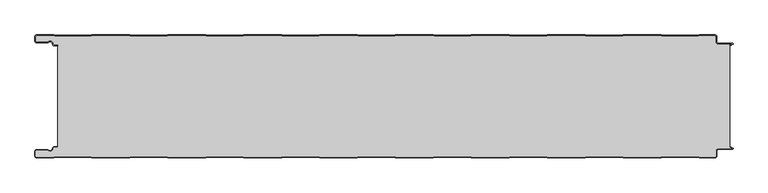
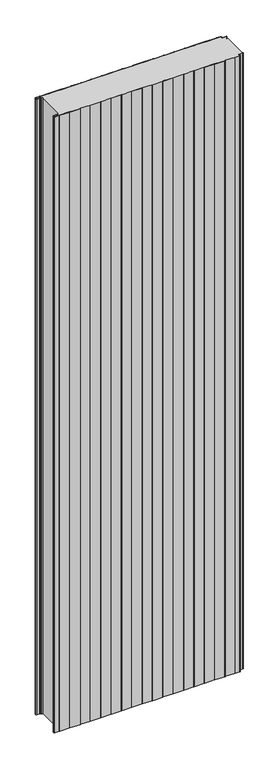
"""IFC4 building model written with IfcOpenShell, lengths in millimetres: plate geometry."""

from ifc_helpers import new_model, si_unit, point, frame_2d, origin, origin_with_axes, place, context, project, spatial, polyline, circle_curve, trimmed, segment, composite_curve, outline, extrude, source, transform, mapped, element, save


def plate_20741c4c(model_context):
    return source(origin(), model_context, "Body", "SweptSolid", [
        extrude(outline(composite_curve([segment(trimmed(circle_curve(frame_2d((-497.49499, -9.0180361)), 2.50501), [point((-497.49499, -11.5230461))], [point((-500.0, -9.0180361))], False, "CARTESIAN"), True, "CONTINUOUS"), segment(polyline([(-500.0, -9.0180361), (-500.0, -2.50501)]), True, "CONTINUOUS"), segment(trimmed(circle_curve(frame_2d((-497.49499, -2.50501)), 2.50501), [point((-500.0, -2.50501))], [point((-497.49499, 0.0))], False, "CARTESIAN"), True, "CONTINUOUS"), segment(polyline([(-497.49499, 0.0), (-472.2103007, 0.0), (-471.028188, -0.6012024), (-417.6391467, -0.6012024), (-416.457034, 0.0), (-360.8776353, 0.0), (-359.6955227, -0.6012024), (-306.3064814, -0.6012024), (-305.1243687, 0.0), (-249.54497, 0.0), (-248.3628573, -0.6012024), (-194.973816, -0.6012024), (-193.7917033, 0.0), (-138.2123047, 0.0), (-137.030192, -0.6012024), (-83.6411507, -0.6012024), (-82.459038, 0.0), (-26.8796393, 0.0), (-25.6975267, -0.6012024), (27.6915146, -0.6012024), (28.8736273, 0.0), (84.453026, 0.0), (85.6351387, -0.6012024), (139.02418, -0.6012024), (140.2062927, 0.0), (195.7856913, 0.0), (196.967804, -0.6012024), (250.3568453, -0.6012024), (251.538958, 0.0), (307.1183566, 0.0), (308.3004693, -0.6012024), (361.6895106, -0.6012024), (362.8716233, 0.0), (418.451022, 0.0), (419.6331347, -0.6012024), (473.022176, -0.6012024), (474.2042886, 0.0), (497.49499, 0.0)]), True, "CONTINUOUS"), segment(trimmed(circle_curve(frame_2d((497.49499, -2.50501)), 2.50501), [point((497.49499, 0.0))], [point((500.0, -2.50501))], False, "CARTESIAN"), True, "CONTINUOUS"), segment(polyline([(500.0, -2.50501), (500.0, -10.0200401)]), True, "CONTINUOUS"), segment(trimmed(circle_curve(frame_2d((502.004008, -10.0200401)), 2.004008), [point((500.0, -10.0200401))], [point((502.004008, -12.0240481))], True, "CARTESIAN"), True, "CONTINUOUS"), segment(polyline([(502.004008, -12.0240481), (523.0460922, -12.0240481)]), True, "CONTINUOUS"), segment(trimmed(circle_curve(frame_2d((523.0460922, -13.0260521)), 1.002004), [point((523.0460922, -12.0240481))], [point((523.5470942, -13.893813))], False, "CARTESIAN"), True, "CONTINUOUS"), segment(polyline([(523.5470942, -13.893813), (519.5390782, -16.2078422), (519.1390782, -15.5150218), (522.183956, -13.7570608)]), True, "CONTINUOUS"), segment(trimmed(circle_curve(frame_2d((521.933956, -13.3240481)), 0.5), [point((522.183956, -13.7570608))], [point((521.933956, -12.8240481))], True, "CARTESIAN"), True, "CONTINUOUS"), segment(polyline([(521.933956, -12.8240481), (502.004008, -12.8240481)]), True, "CONTINUOUS"), segment(trimmed(circle_curve(frame_2d((502.004008, -10.0200401)), 2.804008), [point((502.004008, -12.8240481))], [point((499.2, -10.0200401))], False, "CARTESIAN"), True, "CONTINUOUS"), segment(polyline([(499.2, -10.0200401), (499.2, -2.50501)]), True, "CONTINUOUS"), segment(trimmed(circle_curve(frame_2d((497.49499, -2.50501)), 1.70501), [point((499.2, -2.50501))], [point((497.49499, -0.8))], True, "CARTESIAN"), True, "CONTINUOUS"), segment(polyline([(497.49499, -0.8), (474.396035, -0.8), (473.2139223, -1.4012024), (419.4413883, -1.4012024), (418.2592756, -0.8), (363.0633697, -0.8), (361.881257, -1.4012024), (308.108723, -1.4012024), (306.9266103, -0.8), (251.7307044, -0.8), (250.5485917, -1.4012024), (196.7760576, -1.4012024), (195.5939449, -0.8), (140.398039, -0.8), (139.2159263, -1.4012024), (85.4433923, -1.4012024), (84.2612796, -0.8), (29.0653737, -0.8), (27.883261, -1.4012024), (-25.889273, -1.4012024), (-27.0713857, -0.8), (-82.2672916, -0.8), (-83.4494043, -1.4012024), (-137.2219384, -1.4012024), (-138.4040511, -0.8), (-193.599957, -0.8), (-194.7820696, -1.4012024), (-248.5546037, -1.4012024), (-249.7367164, -0.8), (-304.9326223, -0.8), (-306.114735, -1.4012024), (-359.887269, -1.4012024), (-361.0693817, -0.8), (-416.2652876, -0.8), (-417.4474003, -1.4012024), (-471.2199344, -1.4012024), (-472.4020471, -0.8), (-497.49499, -0.8)]), True, "CONTINUOUS"), segment(trimmed(circle_curve(frame_2d((-497.49499, -2.50501)), 1.70501), [point((-497.49499, -0.8))], [point((-499.2, -2.50501))], True, "CARTESIAN"), True, "CONTINUOUS"), segment(polyline([(-499.2, -2.50501), (-499.2, -9.0180361)]), True, "CONTINUOUS"), segment(trimmed(circle_curve(frame_2d((-497.49499, -9.0180361)), 1.70501), [point((-499.2, -9.0180361))], [point((-497.49499, -10.7230461))], True, "CARTESIAN"), True, "CONTINUOUS"), segment(polyline([(-497.49499, -10.7230461), (-481.8173283, -10.7230461)]), True, "CONTINUOUS"), segment(trimmed(circle_curve(frame_2d((-481.8173283, -9.0180361)), 1.70501), [point((-481.8173283, -10.7230461))], [point((-480.6895701, -10.2967936))], True, "CARTESIAN"), True, "CONTINUOUS"), segment(trimmed(circle_curve(frame_2d((-477.8407481, -13.5270541)), 4.307014), [point((-480.6895701, -10.2967936))], [point((-473.7934788, -12.0539686))], False, "CARTESIAN"), True, "CONTINUOUS"), segment(polyline([(-473.7934788, -12.0539686), (-473.0450711, -14.1102019)]), True, "CONTINUOUS"), segment(trimmed(circle_curve(frame_2d((-471.4428858, -13.5270541)), 1.70501), [point((-473.0450711, -14.1102019))], [point((-471.4428858, -15.2320641))], True, "CARTESIAN"), True, "CONTINUOUS"), segment(polyline([(-471.4428858, -15.2320641), (-466.4328657, -15.2320641), (-466.4328657, -16.0320641), (-471.4428858, -16.0320641)]), True, "CONTINUOUS"), segment(trimmed(circle_curve(frame_2d((-471.4428858, -13.5270541)), 2.50501), [point((-471.4428858, -16.0320641))], [point((-473.7968252, -14.383818))], False, "CARTESIAN"), True, "CONTINUOUS"), segment(polyline([(-473.7968252, -14.383818), (-474.5452329, -12.3275847)]), True, "CONTINUOUS"), segment(trimmed(circle_curve(frame_2d((-477.8407481, -13.5270541)), 3.507014), [point((-474.5452329, -12.3275847))], [point((-480.1604199, -10.8967936))], True, "CARTESIAN"), True, "CONTINUOUS"), segment(trimmed(circle_curve(frame_2d((-481.8173283, -9.0180361)), 2.50501), [point((-480.1604199, -10.8967936))], [point((-481.8173283, -11.5230461))], False, "CARTESIAN"), True, "CONTINUOUS"), segment(polyline([(-481.8173283, -11.5230461), (-497.49499, -11.5230461)]), True, "CONTINUOUS")], self_intersect=False)), origin_with_axes(), (0.0, 0.0, 1.0), 3500.0),
        extrude(outline(composite_curve([segment(trimmed(circle_curve(frame_2d((-471.4428858, -13.5270541)), 1.70501), [point((-471.4428858, -15.2320641))], [point((-473.0450711, -14.1102019))], False, "CARTESIAN"), True, "CONTINUOUS"), segment(polyline([(-473.0450711, -14.1102019), (-473.7934788, -12.0539686)]), True, "CONTINUOUS"), segment(trimmed(circle_curve(frame_2d((-477.8407481, -13.5270541)), 4.307014), [point((-473.7934788, -12.0539686))], [point((-480.6895701, -10.2967936))], True, "CARTESIAN"), True, "CONTINUOUS"), segment(trimmed(circle_curve(frame_2d((-481.8173283, -9.0180361)), 1.70501), [point((-480.6895701, -10.2967936))], [point((-481.8173283, -10.7230461))], False, "CARTESIAN"), True, "CONTINUOUS"), segment(polyline([(-481.8173283, -10.7230461), (-497.49499, -10.7230461)]), True, "CONTINUOUS"), segment(trimmed(circle_curve(frame_2d((-497.49499, -9.0180361)), 1.70501), [point((-497.49499, -10.7230461))], [point((-499.2, -9.0180361))], False, "CARTESIAN"), True, "CONTINUOUS"), segment(polyline([(-499.2, -9.0180361), (-499.2, -2.50501)]), True, "CONTINUOUS"), segment(trimmed(circle_curve(frame_2d((-497.49499, -2.50501)), 1.70501), [point((-499.2, -2.50501))], [point((-497.49499, -0.8))], False, "CARTESIAN"), True, "CONTINUOUS"), segment(polyline([(-497.49499, -0.8), (-472.4020471, -0.8), (-471.2199344, -1.4012024), (-417.4474003, -1.4012024), (-416.2652876, -0.8), (-361.0693817, -0.8), (-359.887269, -1.4012024), (-306.114735, -1.4012024), (-304.9326223, -0.8), (-249.7367164, -0.8), (-248.5546037, -1.4012024), (-194.7820696, -1.4012024), (-193.599957, -0.8), (-138.4040511, -0.8), (-137.2219384, -1.4012024), (-83.4494043, -1.4012024), (-82.2672916, -0.8), (-27.0713857, -0.8), (-25.889273, -1.4012024), (27.883261, -1.4012024), (29.0653737, -0.8), (84.2612796, -0.8), (85.4433923, -1.4012024), (139.2159263, -1.4012024), (140.398039, -0.8), (195.5939449, -0.8), (196.7760576, -1.4012024), (250.5485917, -1.4012024), (251.7307044, -0.8), (306.9266103, -0.8), (308.108723, -1.4012024), (361.881257, -1.4012024), (363.0633697, -0.8), (418.2592756, -0.8), (419.4413883, -1.4012024), (473.2139223, -1.4012024), (474.396035, -0.8), (497.49499, -0.8)]), True, "CONTINUOUS"), segment(trimmed(circle_curve(frame_2d((497.49499, -2.50501)), 1.70501), [point((497.49499, -0.8))], [point((499.2, -2.50501))], False, "CARTESIAN"), True, "CONTINUOUS"), segment(polyline([(499.2, -2.50501), (499.2, -10.0200401)]), True, "CONTINUOUS"), segment(trimmed(circle_curve(frame_2d((502.004008, -10.0200401)), 2.804008), [point((499.2, -10.0200401))], [point((502.004008, -12.8240481))], True, "CARTESIAN"), True, "CONTINUOUS"), segment(polyline([(502.004008, -12.8240481), (521.933956, -12.8240481)]), True, "CONTINUOUS"), segment(trimmed(circle_curve(frame_2d((521.933956, -13.3240481)), 0.5), [point((521.933956, -12.8240481))], [point((522.183956, -13.7570608))], False, "CARTESIAN"), True, "CONTINUOUS"), segment(polyline([(522.183956, -13.7570608), (519.1390782, -15.5150218), (519.1390782, -164.4849782), (522.183956, -166.2429392)]), True, "CONTINUOUS"), segment(trimmed(circle_curve(frame_2d((521.933956, -166.6759519)), 0.5), [point((522.183956, -166.2429392))], [point((521.933956, -167.1759519))], False, "CARTESIAN"), True, "CONTINUOUS"), segment(polyline([(521.933956, -167.1759519), (502.004008, -167.1759519)]), True, "CONTINUOUS"), segment(trimmed(circle_curve(frame_2d((502.004008, -169.9799599)), 2.804008), [point((502.004008, -167.1759519))], [point((499.2, -169.9799599))], True, "CARTESIAN"), True, "CONTINUOUS"), segment(polyline([(499.2, -169.9799599), (499.2, -177.49499)]), True, "CONTINUOUS"), segment(trimmed(circle_curve(frame_2d((497.49499, -177.49499)), 1.70501), [point((499.2, -177.49499))], [point((497.49499, -179.2))], False, "CARTESIAN"), True, "CONTINUOUS"), segment(polyline([(497.49499, -179.2), (474.396035, -179.2), (473.2139223, -178.5987976), (419.4413883, -178.5987976), (418.2592756, -179.2), (363.0633697, -179.2), (361.881257, -178.5987976), (308.108723, -178.5987976), (306.9266103, -179.2), (251.7307044, -179.2), (250.5485917, -178.5987976), (196.7760576, -178.5987976), (195.5939449, -179.2), (140.398039, -179.2), (139.2159263, -178.5987976), (85.4433923, -178.5987976), (84.2612796, -179.2), (29.0653737, -179.2), (27.883261, -178.5987976), (-25.889273, -178.5987976), (-27.0713857, -179.2), (-82.2672916, -179.2), (-83.4494043, -178.5987976), (-137.2219384, -178.5987976), (-138.4040511, -179.2), (-193.599957, -179.2), (-194.7820696, -178.5987976), (-248.5546037, -178.5987976), (-249.7367164, -179.2), (-304.9326223, -179.2), (-306.114735, -178.5987976), (-359.887269, -178.5987976), (-361.0693817, -179.2), (-416.2652876, -179.2), (-417.4474003, -178.5987976), (-471.2199344, -178.5987976), (-472.4020471, -179.2), (-497.49499, -179.2)]), True, "CONTINUOUS"), segment(trimmed(circle_curve(frame_2d((-497.49499, -177.49499)), 1.70501), [point((-497.49499, -179.2))], [point((-499.2, -177.49499))], False, "CARTESIAN"), True, "CONTINUOUS"), segment(polyline([(-499.2, -177.49499), (-499.2, -170.9819639)]), True, "CONTINUOUS"), segment(trimmed(circle_curve(frame_2d((-497.49499, -170.9819639)), 1.70501), [point((-499.2, -170.9819639))], [point((-497.49499, -169.2769539))], False, "CARTESIAN"), True, "CONTINUOUS"), segment(polyline([(-497.49499, -169.2769539), (-481.8173283, -169.2769539)]), True, "CONTINUOUS"), segment(trimmed(circle_curve(frame_2d((-481.8173283, -170.9819639)), 1.70501), [point((-481.8173283, -169.2769539))], [point((-480.6895701, -169.7032064))], False, "CARTESIAN"), True, "CONTINUOUS"), segment(trimmed(circle_curve(frame_2d((-477.8407481, -166.4729459)), 4.307014), [point((-480.6895701, -169.7032064))], [point((-473.7934788, -167.9460314))], True, "CARTESIAN"), True, "CONTINUOUS"), segment(polyline([(-473.7934788, -167.9460314), (-473.0450711, -165.8897981)]), True, "CONTINUOUS"), segment(trimmed(circle_curve(frame_2d((-471.4428858, -166.4729459)), 1.70501), [point((-473.0450711, -165.8897981))], [point((-471.4428858, -164.7679359))], False, "CARTESIAN"), True, "CONTINUOUS"), segment(polyline([(-471.4428858, -164.7679359), (-466.4328657, -164.7679359), (-466.4328657, -15.2320641), (-471.4428858, -15.2320641)]), True, "CONTINUOUS")], self_intersect=False)), origin_with_axes(), (0.0, 0.0, 1.0), 3500.0),
        extrude(outline(composite_curve([segment(polyline([(-497.49499, -168.4769539), (-481.8173283, -168.4769539)]), True, "CONTINUOUS"), segment(trimmed(circle_curve(frame_2d((-481.8173283, -170.9819639)), 2.50501), [point((-481.8173283, -168.4769539))], [point((-480.1604199, -169.1032064))], False, "CARTESIAN"), True, "CONTINUOUS"), segment(trimmed(circle_curve(frame_2d((-477.8407481, -166.4729459)), 3.507014), [point((-480.1604199, -169.1032064))], [point((-474.5452329, -167.6724153))], True, "CARTESIAN"), True, "CONTINUOUS"), segment(polyline([(-474.5452329, -167.6724153), (-473.7968252, -165.616182)]), True, "CONTINUOUS"), segment(trimmed(circle_curve(frame_2d((-471.4428858, -166.4729459)), 2.50501), [point((-473.7968252, -165.616182))], [point((-471.4428858, -163.9679359))], False, "CARTESIAN"), True, "CONTINUOUS"), segment(polyline([(-471.4428858, -163.9679359), (-466.4328657, -163.9679359), (-466.4328657, -164.7679359), (-471.4428858, -164.7679359)]), True, "CONTINUOUS"), segment(trimmed(circle_curve(frame_2d((-471.4428858, -166.4729459)), 1.70501), [point((-471.4428858, -164.7679359))], [point((-473.0450711, -165.8897981))], True, "CARTESIAN"), True, "CONTINUOUS"), segment(polyline([(-473.0450711, -165.8897981), (-473.7934788, -167.9460314)]), True, "CONTINUOUS"), segment(trimmed(circle_curve(frame_2d((-477.8407481, -166.4729459)), 4.307014), [point((-473.7934788, -167.9460314))], [point((-480.6895701, -169.7032064))], False, "CARTESIAN"), True, "CONTINUOUS"), segment(trimmed(circle_curve(frame_2d((-481.8173283, -170.9819639)), 1.70501), [point((-480.6895701, -169.7032064))], [point((-481.8173283, -169.2769539))], True, "CARTESIAN"), True, "CONTINUOUS"), segment(polyline([(-481.8173283, -169.2769539), (-497.49499, -169.2769539)]), True, "CONTINUOUS"), segment(trimmed(circle_curve(frame_2d((-497.49499, -170.9819639)), 1.70501), [point((-497.49499, -169.2769539))], [point((-499.2, -170.9819639))], True, "CARTESIAN"), True, "CONTINUOUS"), segment(polyline([(-499.2, -170.9819639), (-499.2, -177.49499)]), True, "CONTINUOUS"), segment(trimmed(circle_curve(frame_2d((-497.49499, -177.49499)), 1.70501), [point((-499.2, -177.49499))], [point((-497.49499, -179.2))], True, "CARTESIAN"), True, "CONTINUOUS"), segment(polyline([(-497.49499, -179.2), (-472.4020471, -179.2), (-471.2199344, -178.5987976), (-417.4474003, -178.5987976), (-416.2652876, -179.2), (-361.0693817, -179.2), (-359.887269, -178.5987976), (-306.114735, -178.5987976), (-304.9326223, -179.2), (-249.7367164, -179.2), (-248.5546037, -178.5987976), (-194.7820696, -178.5987976), (-193.599957, -179.2), (-138.4040511, -179.2), (-137.2219384, -178.5987976), (-83.4494043, -178.5987976), (-82.2672916, -179.2), (-27.0713857, -179.2), (-25.889273, -178.5987976), (27.883261, -178.5987976), (29.0653737, -179.2), (84.2612796, -179.2), (85.4433923, -178.5987976), (139.2159263, -178.5987976), (140.398039, -179.2), (195.5939449, -179.2), (196.7760576, -178.5987976), (250.5485917, -178.5987976), (251.7307044, -179.2), (306.9266103, -179.2), (308.108723, -178.5987976), (361.881257, -178.5987976), (363.0633697, -179.2), (418.2592756, -179.2), (419.4413883, -178.5987976), (473.2139223, -178.5987976), (474.396035, -179.2), (497.49499, -179.2)]), True, "CONTINUOUS"), segment(trimmed(circle_curve(frame_2d((497.49499, -177.49499)), 1.70501), [point((497.49499, -179.2))], [point((499.2, -177.49499))], True, "CARTESIAN"), True, "CONTINUOUS"), segment(polyline([(499.2, -177.49499), (499.2, -169.9799599)]), True, "CONTINUOUS"), segment(trimmed(circle_curve(frame_2d((502.004008, -169.9799599)), 2.804008), [point((499.2, -169.9799599))], [point((502.004008, -167.1759519))], False, "CARTESIAN"), True, "CONTINUOUS"), segment(polyline([(502.004008, -167.1759519), (521.933956, -167.1759519)]), True, "CONTINUOUS"), segment(trimmed(circle_curve(frame_2d((521.933956, -166.6759519)), 0.5), [point((521.933956, -167.1759519))], [point((522.183956, -166.2429392))], True, "CARTESIAN"), True, "CONTINUOUS"), segment(polyline([(522.183956, -166.2429392), (519.1390782, -164.4849782), (519.5390782, -163.7921578), (523.5470942, -166.106187)]), True, "CONTINUOUS"), segment(trimmed(circle_curve(frame_2d((523.0460922, -166.9739479)), 1.002004), [point((523.5470942, -166.106187))], [point((523.0460922, -167.9759519))], False, "CARTESIAN"), True, "CONTINUOUS"), segment(polyline([(523.0460922, -167.9759519), (502.004008, -167.9759519)]), True, "CONTINUOUS"), segment(trimmed(circle_curve(frame_2d((502.004008, -169.9799599)), 2.004008), [point((502.004008, -167.9759519))], [point((500.0, -169.9799599))], True, "CARTESIAN"), True, "CONTINUOUS"), segment(polyline([(500.0, -169.9799599), (500.0, -177.49499)]), True, "CONTINUOUS"), segment(trimmed(circle_curve(frame_2d((497.49499, -177.49499)), 2.50501), [point((500.0, -177.49499))], [point((497.49499, -180.0))], False, "CARTESIAN"), True, "CONTINUOUS"), segment(polyline([(497.49499, -180.0), (474.2042886, -180.0), (473.022176, -179.3987976), (419.6331347, -179.3987976), (418.451022, -180.0), (362.8716233, -180.0), (361.6895106, -179.3987976), (308.3004693, -179.3987976), (307.1183566, -180.0), (251.538958, -180.0), (250.3568453, -179.3987976), (196.967804, -179.3987976), (195.7856913, -180.0), (140.2062927, -180.0), (139.02418, -179.3987976), (85.6351387, -179.3987976), (84.453026, -180.0), (28.8736273, -180.0), (27.6915146, -179.3987976), (-25.6975267, -179.3987976), (-26.8796393, -180.0), (-82.459038, -180.0), (-83.6411507, -179.3987976), (-137.030192, -179.3987976), (-138.2123047, -180.0), (-193.7917033, -180.0), (-194.973816, -179.3987976), (-248.3628573, -179.3987976), (-249.54497, -180.0), (-305.1243687, -180.0), (-306.3064814, -179.3987976), (-359.6955227, -179.3987976), (-360.8776353, -180.0), (-416.457034, -180.0), (-417.6391467, -179.3987976), (-471.028188, -179.3987976), (-472.2103007, -180.0), (-497.49499, -180.0)]), True, "CONTINUOUS"), segment(trimmed(circle_curve(frame_2d((-497.49499, -177.49499)), 2.50501), [point((-497.49499, -180.0))], [point((-500.0, -177.49499))], False, "CARTESIAN"), True, "CONTINUOUS"), segment(polyline([(-500.0, -177.49499), (-500.0, -170.9819639)]), True, "CONTINUOUS"), segment(trimmed(circle_curve(frame_2d((-497.49499, -170.9819639)), 2.50501), [point((-500.0, -170.9819639))], [point((-497.49499, -168.4769539))], False, "CARTESIAN"), True, "CONTINUOUS")], self_intersect=False)), origin_with_axes(), (0.0, 0.0, 1.0), 3500.0),
    ])


if __name__ == "__main__":
    model = new_model("IFC4")
    model_context = context("Model", 3, world=origin())
    ifc_project = project(units=[si_unit("LENGTHUNIT", "METRE", prefix="MILLI")], contexts=[model_context])
    site = spatial("IfcSite", under=ifc_project)
    building = spatial("IfcBuilding", under=site)
    placement = place(None, origin())
    plate_shape = plate_20741c4c(model_context)
    element("IfcPlate", 1, at=placement, inside=building, context=model_context, shape_type="MappedRepresentation", body=[
        mapped(plate_shape, transform((0.0, 0.0, 0.0), x_axis=(1.0, 0.0, 0.0), y_axis=(0.0, 1.0, 0.0), z_axis=(0.0, 0.0, 1.0))),
    ])
    save(model, "model.ifc")
